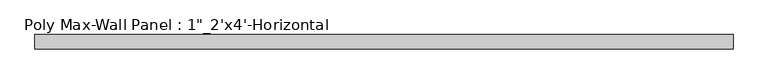
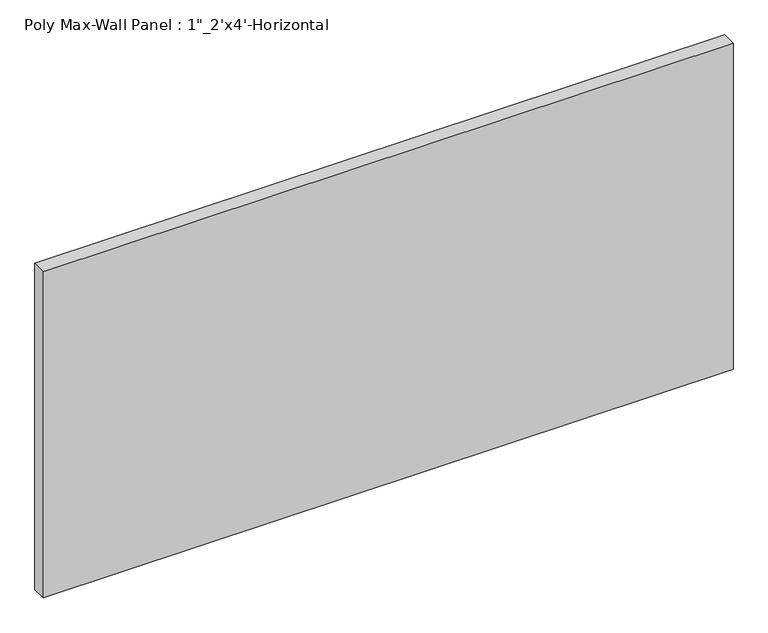
"""IFC4 building model written with IfcOpenShell, lengths in millimetres: proxy geometry."""

import ifcopenshell
import ifcopenshell.guid

model = None  # the IFC model being written
_history = None  # IfcOwnerHistory: only IFC2X3 demands one
_inside = {}  # id of a spatial element -> (the spatial element, [elements in it])
_under = {}  # id of a project, library or spatial element -> (it, [spatial elements below it])
_declared = {}  # id of a project -> (the project, [libraries it declares])
_typed = {}  # id of a type object -> (the type object, [elements of that type])
_made_of = {}  # id of a material, layer set ... -> (it, [elements and type objects made of it])


def new_model(schema):
    """Start an empty IFC model of exactly this schema.

    Asked for "IFC4X3", IfcOpenShell would pick the latest addendum, in which some entities
    have other attributes; the version numbers below select the first issue.
    IFC2X3 requires an IfcOwnerHistory on every rooted entity: one is made here for all.
    """
    global model, _history
    if schema == "IFC4X3":
        model = ifcopenshell.file(schema_version=(4, 3, 0, 0))
    else:
        model = ifcopenshell.file(schema=schema)
    _inside.clear()
    _under.clear()
    _declared.clear()
    _typed.clear()
    _made_of.clear()
    _history = None
    if model.schema == "IFC2X3":
        org = make("IfcOrganization", Name="unknown")
        user = make(
            "IfcPersonAndOrganization",
            ThePerson=make("IfcPerson", FamilyName="unknown"),
            TheOrganization=org,
        )
        app = make(
            "IfcApplication",
            ApplicationDeveloper=org,
            Version="unknown",
            ApplicationFullName="unknown",
            ApplicationIdentifier="unknown",
        )
        _history = make(
            "IfcOwnerHistory",
            OwningUser=user,
            OwningApplication=app,
            ChangeAction="ADDED",
            CreationDate=0,
        )
    return model


def make(cls, **values):
    """One entity of the class cls with the attributes given. An attribute that is None is left unset."""
    return model.create_entity(
        cls, **{name: value for name, value in values.items() if value is not None}
    )


def rooted(cls, **values):
    """An entity with a GlobalId (a new one), such as an element, a storey or a relation."""
    return make(cls, GlobalId=ifcopenshell.guid.new(), OwnerHistory=_history, **values)


def si_unit(unit_type, name, prefix=None):
    """IfcSIUnit, for example si_unit("LENGTHUNIT", "METRE", prefix="MILLI")."""
    return make("IfcSIUnit", UnitType=unit_type, Prefix=prefix, Name=name)


def assignment(units):
    """IfcUnitAssignment: the units of a project."""
    return None if units is None else make("IfcUnitAssignment", Units=units)


def point(xyz):
    """IfcCartesianPoint."""
    return None if xyz is None else make("IfcCartesianPoint", Coordinates=xyz)


def direction(xyz):
    """IfcDirection."""
    return None if xyz is None else make("IfcDirection", DirectionRatios=xyz)


def frame(location, z_axis=None, x_axis=None):
    """IfcAxis2Placement3D, a coordinate frame: its origin and axes. An axis left out is left unset."""
    return make(
        "IfcAxis2Placement3D",
        Location=point(location),
        Axis=direction(z_axis),
        RefDirection=direction(x_axis),
    )


def origin():
    """The frame at (0, 0, 0) with its axes left unset."""
    return frame((0.0, 0.0, 0.0))


def place(relative_to, where):
    """IfcLocalPlacement: puts the frame where relative to a parent placement (None: the world)."""
    return make(
        "IfcLocalPlacement", PlacementRelTo=relative_to, RelativePlacement=where
    )


def context(
    kind, dimensions, precision=None, world=None, true_north=None, identifier=None
):
    """IfcGeometricRepresentationContext, for example the 3D "Model" context."""
    return make(
        "IfcGeometricRepresentationContext",
        ContextIdentifier=identifier,
        ContextType=kind,
        CoordinateSpaceDimension=dimensions,
        Precision=precision,
        WorldCoordinateSystem=world,
        TrueNorth=true_north,
    )


def project(units=None, contexts=None):
    """IfcProject with its units and contexts."""
    return rooted(
        "IfcProject",
        Name="project",
        RepresentationContexts=contexts,
        UnitsInContext=assignment(units),
    )


def spatial(cls, under=None, at=None, **own):
    """A site, building, storey or space (cls), placed at a placement, below another one or the project."""
    s = rooted(cls, ObjectPlacement=at, **own)
    if under is not None:
        _under.setdefault(under.id(), (under, []))[1].append(s)
    return s


def polyline(points):
    """IfcPolyline through the points."""
    return make("IfcPolyline", Points=[point(p) for p in points])


def outline(outer, holes=None, kind="AREA"):
    """IfcArbitraryClosedProfileDef: a profile drawn as a closed curve; with holes, ...WithVoids."""
    if holes is None:
        return make("IfcArbitraryClosedProfileDef", ProfileType=kind, OuterCurve=outer)
    return make(
        "IfcArbitraryProfileDefWithVoids",
        ProfileType=kind,
        OuterCurve=outer,
        InnerCurves=holes,
    )


def extrude(swept, where, along, depth):
    """IfcExtrudedAreaSolid: the profile swept, set in the frame where, extruded along a direction by depth."""
    return make(
        "IfcExtrudedAreaSolid",
        SweptArea=swept,
        Position=where,
        ExtrudedDirection=direction(along),
        Depth=depth,
    )


def shape(context_of_items, identifier, shape_type, items):
    """IfcShapeRepresentation: the items that make up one representation, for example the "Body"."""
    return make(
        "IfcShapeRepresentation",
        ContextOfItems=context_of_items,
        RepresentationIdentifier=identifier,
        RepresentationType=shape_type,
        Items=items,
    )


def source(mapping_origin, context_of_items, identifier, shape_type, items):
    """IfcRepresentationMap: a shape defined once, which mapped items show again and again."""
    return make(
        "IfcRepresentationMap",
        MappingOrigin=mapping_origin,
        MappedRepresentation=shape(context_of_items, identifier, shape_type, items),
    )


def transform(
    local_origin,
    x_axis=None,
    y_axis=None,
    z_axis=None,
    scale=None,
    scale2=None,
    scale3=None,
    uniform=True,
):
    """IfcCartesianTransformationOperator3D, or its non-uniform kind. x_axis, y_axis, z_axis: its Axis1, 2, 3."""
    if uniform:
        return make(
            "IfcCartesianTransformationOperator3D",
            Axis1=direction(x_axis),
            Axis2=direction(y_axis),
            LocalOrigin=point(local_origin),
            Scale=scale,
            Axis3=direction(z_axis),
        )
    return make(
        "IfcCartesianTransformationOperator3DnonUniform",
        Axis1=direction(x_axis),
        Axis2=direction(y_axis),
        LocalOrigin=point(local_origin),
        Scale=scale,
        Axis3=direction(z_axis),
        Scale2=scale2,
        Scale3=scale3,
    )


def mapped(mapping_source, mapping_target):
    """IfcMappedItem: shows the shape of a source again, moved by a transform."""
    return make(
        "IfcMappedItem", MappingSource=mapping_source, MappingTarget=mapping_target
    )


def made_of(thing, what):
    """Note that an element or type object is made of a material, layer set ...; save() writes the relation."""
    if what is not None:
        _made_of.setdefault(what.id(), (what, []))[1].append(thing)
    return thing


def element(
    cls,
    number,
    at=None,
    inside=None,
    cuts=None,
    type_object=None,
    material=None,
    context=None,
    identifier="Body",
    shape_type=None,
    held_by="IfcProductDefinitionShape",
    body=None,
    shapes=None,
    **own,
):
    """One element of the class cls, such as IfcWall. Its Tag is "e" and its number.

    at: its placement. inside: the storey or other place that contains it. cuts: it is an
    opening in that element (IfcRelVoidsElement). A single representation is given by context,
    identifier, shape_type and body (its items); several are given by shapes. held_by: the class
    of the entity that holds the representations. save() writes the other relations.
    """
    e = rooted(cls, Tag="e%d" % number, ObjectPlacement=at, **own)
    if body is not None:
        shapes = [shape(context, identifier, shape_type, body)]
    if shapes is not None:
        e.Representation = make(held_by, Representations=shapes)
    if inside is not None:
        _inside.setdefault(inside.id(), (inside, []))[1].append(e)
    if cuts is not None:
        rooted(
            "IfcRelVoidsElement", RelatingBuildingElement=cuts, RelatedOpeningElement=e
        )
    if type_object is not None:
        _typed.setdefault(type_object.id(), (type_object, []))[1].append(e)
    return made_of(e, material)


def aggregate(whole, parts):
    """IfcRelAggregates: a whole, such as a stair, and the parts it consists of."""
    return rooted("IfcRelAggregates", RelatingObject=whole, RelatedObjects=parts)


def save(model, path):
    """Write the relations noted so far, then the file.

    IfcRelAggregates (storeys below a building ...), IfcRelContainedInSpatialStructure (elements
    in a storey), IfcRelDefinesByType, IfcRelAssociatesMaterial and IfcRelDeclares: one each for
    every whole, place, type object, material and project.
    """
    for whole, parts in _under.values():
        aggregate(whole, parts)
    for where, things in _inside.values():
        rooted(
            "IfcRelContainedInSpatialStructure",
            RelatedElements=things,
            RelatingStructure=where,
        )
    for kind, things in _typed.values():
        rooted("IfcRelDefinesByType", RelatedObjects=things, RelatingType=kind)
    for what, things in _made_of.values():
        rooted("IfcRelAssociatesMaterial", RelatedObjects=things, RelatingMaterial=what)
    for by, libraries in _declared.values():
        rooted("IfcRelDeclares", RelatingContext=by, RelatedDefinitions=libraries)
    model.write(path)


def proxy_d7a62da6(model_context):
    return source(origin(), model_context, "Body", "SweptSolid", [
        extrude(outline(polyline([(812.8, 101.6), (-406.4, 101.6), (-406.4, 127.0), (812.8, 127.0), (812.8, 101.6)])), frame((0.0, 0.0, 1219.2), z_axis=(0.0, 0.0, 1.0), x_axis=(1.0, 0.0, 0.0)), (0.0, 0.0, 1.0), 609.6),
    ])


if __name__ == "__main__":
    model = new_model("IFC4")
    model_context = context("Model", 3, world=origin())
    ifc_project = project(units=[si_unit("LENGTHUNIT", "METRE", prefix="MILLI")], contexts=[model_context])
    site = spatial("IfcSite", under=ifc_project)
    building = spatial("IfcBuilding", under=site)
    placement = place(None, origin())
    proxy_shape = proxy_d7a62da6(model_context)
    element("IfcBuildingElementProxy", 1, Name="Poly Max-Wall Panel : 1\"_2'x4'-Horizontal", ObjectType="Poly Max-Wall Panel : 1\"_2'x4'-Horizontal", at=placement, inside=building, context=model_context, shape_type="MappedRepresentation", body=[
        mapped(proxy_shape, transform((0.0, 0.0, 0.0), x_axis=(1.0, 0.0, 0.0), y_axis=(0.0, 1.0, 0.0), z_axis=(0.0, 0.0, 1.0))),
    ])
    save(model, "model.ifc")
